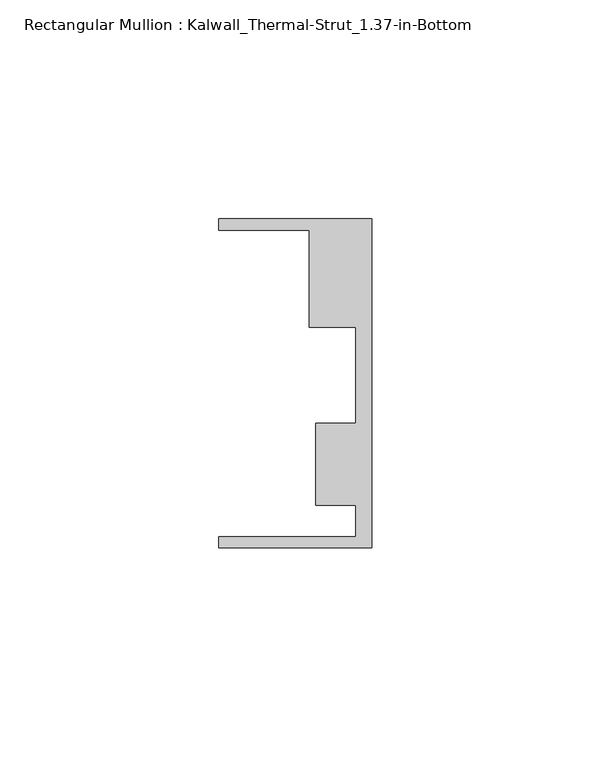
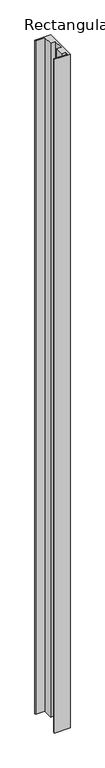
"""IFC4 building model written with IfcOpenShell, lengths in millimetres: member geometry, Rectangular Mullion : Kalwall_Thermal-Strut_1.37-in-Bottom."""

from ifc_helpers import new_model, si_unit, frame, origin, place, context, project, spatial, polyline, outline, extrude, source, transform, mapped, element, save


def rectangular_mullion_kalwall_thermal_strut_1_37_in_bottom_04f8dc70(model_context):
    return source(origin(), model_context, "Body", "SweptSolid", [
        extrude(outline(polyline([(0.0, -37.5776386), (-34.925, -37.5776386), (-34.925, -35.0376386), (-3.7084, -35.0376386), (-3.7084, -27.8888568), (-12.8272539, -27.8888568), (-12.8272539, -9.1879886), (-3.7084, -9.1879886), (-3.7084, 12.7373614), (-14.2875, 12.7373614), (-14.2875, 34.9623614), (-34.925, 34.9623614), (-34.925, 37.5023614), (0.0, 37.5023614), (0.0, -37.5776386)])), frame((0.0, 0.0, -1585.0068), z_axis=(0.0, 0.0, 1.0), x_axis=(1.0, 0.0, 0.0)), (0.0, 0.0, 1.0), 1585.0068),
    ])


if __name__ == "__main__":
    model = new_model("IFC4")
    model_context = context("Model", 3, world=origin())
    ifc_project = project(units=[si_unit("LENGTHUNIT", "METRE", prefix="MILLI")], contexts=[model_context])
    site = spatial("IfcSite", under=ifc_project)
    building = spatial("IfcBuilding", under=site)
    placement = place(None, origin())
    rectangular_mullion_kalwall_thermal_strut_1_37_in_bottom_shape = rectangular_mullion_kalwall_thermal_strut_1_37_in_bottom_04f8dc70(model_context)
    element("IfcMember", 1, ObjectType="Rectangular Mullion : Kalwall_Thermal-Strut_1.37-in-Bottom", at=placement, inside=building, context=model_context, shape_type="MappedRepresentation", body=[
        mapped(rectangular_mullion_kalwall_thermal_strut_1_37_in_bottom_shape, transform((0.0, 0.0, 0.0), x_axis=(1.0, 0.0, 0.0), y_axis=(0.0, 1.0, 0.0), z_axis=(0.0, 0.0, 1.0))),
    ])
    save(model, "model.ifc")
